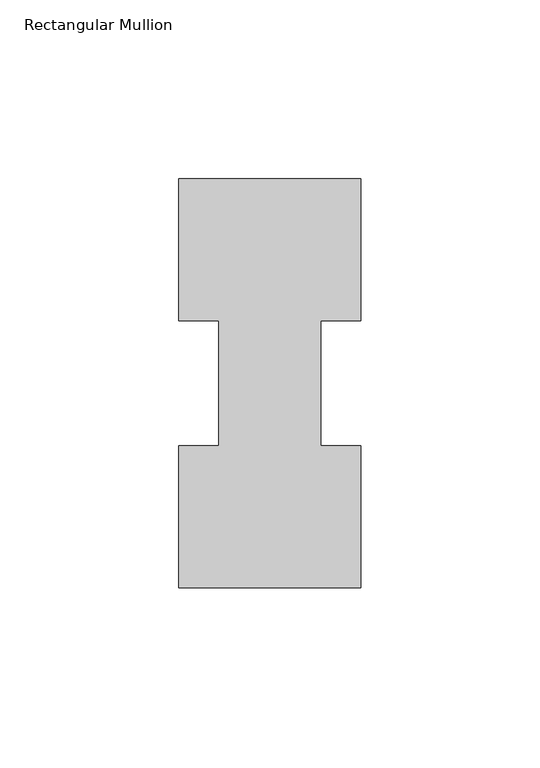
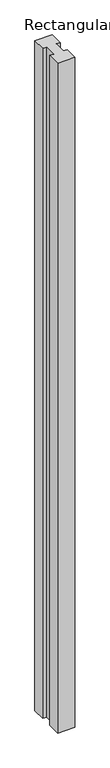
"""IFC4 building model written with IfcOpenShell, lengths in millimetres: member geometry, Rectangular Mullion."""

from ifc_helpers import new_model, si_unit, frame, origin, place, context, project, spatial, polyline, outline, extrude, source, transform, mapped, element, save


def rectangular_mullion_5a5a12e4(model_context):
    return source(origin(), model_context, "Body", "SweptSolid", [
        extrude(outline(polyline([(25.4, 114.271425), (25.4, 74.596625), (14.2875, 74.596625), (14.2875, 39.646225), (25.4, 39.646225), (25.4, -0.028575), (-25.4, -0.028575), (-25.4, 39.646225), (-14.2875, 39.646225), (-14.2875, 74.596625), (-25.4, 74.596625), (-25.4, 114.271425), (25.4, 114.271425)])), frame((0.0, 0.0, -2063.7499762), z_axis=(0.0, 0.0, 1.0), x_axis=(1.0, 0.0, 0.0)), (0.0, 0.0, 1.0), 2063.7499762),
    ])


if __name__ == "__main__":
    model = new_model("IFC4")
    model_context = context("Model", 3, world=origin())
    ifc_project = project(units=[si_unit("LENGTHUNIT", "METRE", prefix="MILLI")], contexts=[model_context])
    site = spatial("IfcSite", under=ifc_project)
    building = spatial("IfcBuilding", under=site)
    placement = place(None, origin())
    rectangular_mullion_shape = rectangular_mullion_5a5a12e4(model_context)
    element("IfcMember", 1, ObjectType="Rectangular Mullion", at=placement, inside=building, context=model_context, shape_type="MappedRepresentation", body=[
        mapped(rectangular_mullion_shape, transform((0.0, 0.0, 0.0), x_axis=(1.0, 0.0, 0.0), y_axis=(0.0, 1.0, 0.0), z_axis=(0.0, 0.0, 1.0))),
    ])
    save(model, "model.ifc")
